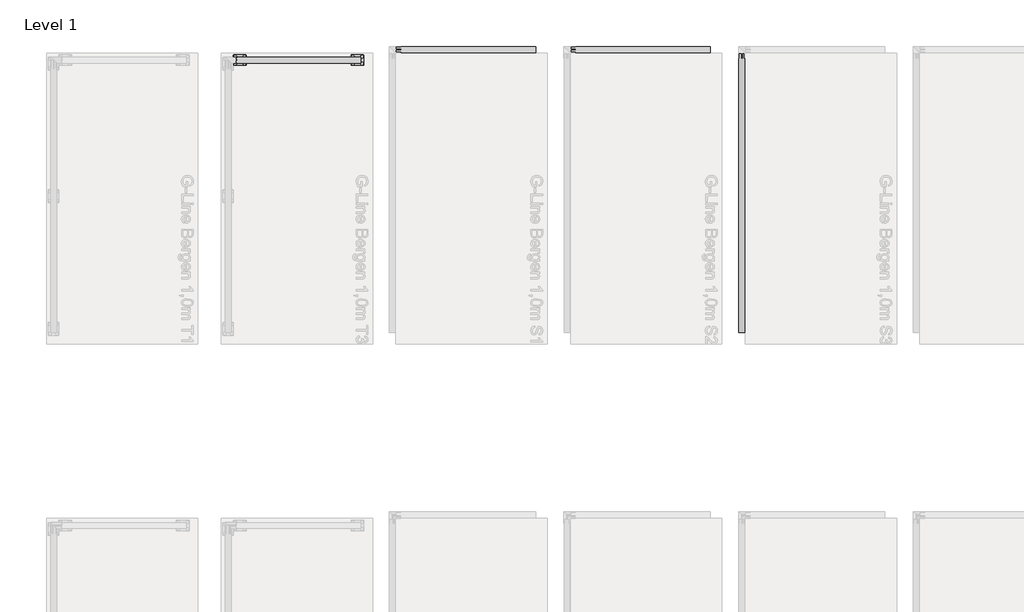
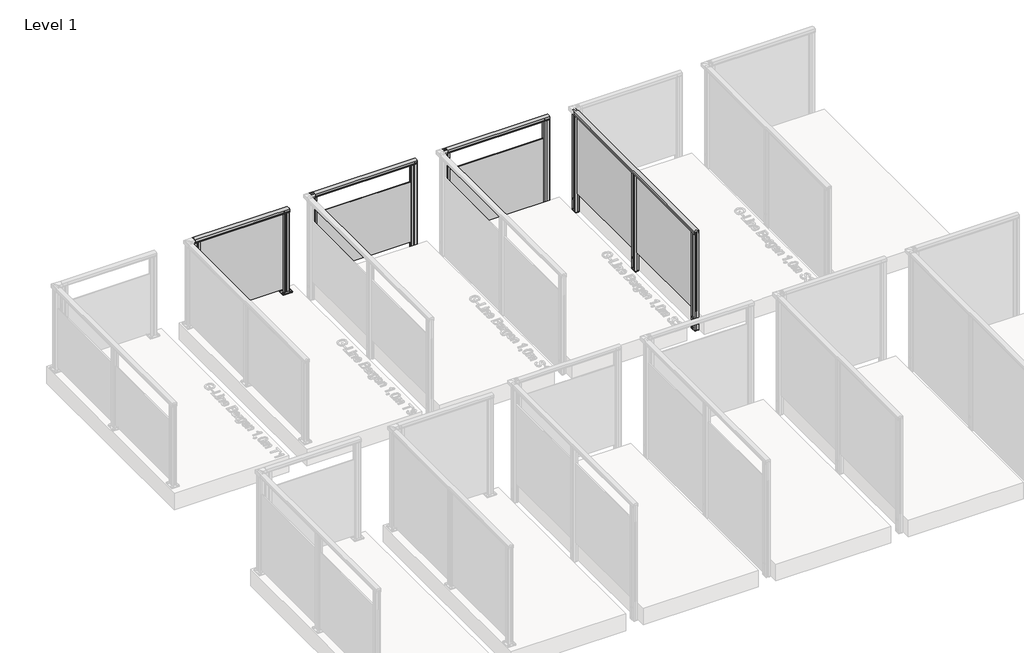
# One storey, part 7 of 13: 4 railings.
"""IFC4 building model written with IfcOpenShell, lengths in millimetres."""

from ifc_helpers import new_model, si_unit, point, frame, frame_2d, origin, origin_with_axes, place, context, project, spatial, polyline, circle_curve, trimmed, segment, composite_curve, outline, extrude, element, save

model = new_model("IFC4")

# Units and contexts
model_context = context("Model", 3, world=origin())
ifc_project = project(units=[si_unit("LENGTHUNIT", "METRE", prefix="MILLI")], contexts=[model_context])

# Site, building, storey
site = spatial("IfcSite", under=ifc_project)
building = spatial("IfcBuilding", under=site)
storey = spatial("IfcBuildingStorey", under=building, Name="Level 1", Elevation=0.0)

# Railings
placement = place(None, origin())
element("IfcRailing", 1, at=placement, inside=storey, context=model_context, shape_type="SweptSolid", body=[
    extrude(outline(composite_curve([segment(trimmed(circle_curve(frame_2d((2299.6292736, 942.6785502)), 57.3235687), [point((2274.3743133, 994.1390059))], [point((2324.8939716, 994.1342258))], False, "CARTESIAN"), True, "CONTINUOUS"), segment(polyline([(2324.8939716, 994.1342258), (2324.8939716, 967.0235023), (2324.3120398, 966.4415706), (2324.9341209, 965.8194895), (2324.9341209, 957.2498847), (2323.129168, 957.2498847), (2323.129168, 980.4998829), (2276.1341218, 980.4998829), (2276.1341218, 957.2498847), (2274.3743133, 957.2498847), (2274.3743133, 965.9694895), (2274.9890963, 966.5842725), (2274.3743133, 967.1990555), (2274.3743133, 994.1390059)]), True, "CONTINUOUS")], self_intersect=False)), frame((-4167.7109978, 0.0, 0.0), z_axis=(1.0, 0.0, 0.0), x_axis=(0.0, 1.0, 0.0)), (0.0, 0.0, 1.0), 1070.0),
    extrude(outline(polyline([(-3097.7109978, 2304.7340897), (-3097.7109978, 2295.9740897), (-4167.7109978, 2295.9740897), (-4167.7109978, 2304.7340897), (-3097.7109978, 2304.7340897)])), frame((0.0, 0.0, 40.0), z_axis=(0.0, 0.0, 1.0), x_axis=(1.0, 0.0, 0.0)), (0.0, 0.0, 1.0), 940.0),
    extrude(outline(composite_curve([segment(trimmed(circle_curve(frame_2d((-4097.7109978, 2330.3540897)), 11.9621755), [point((-4097.7109978, 2342.3162651))], [point((-4097.7109978, 2318.3919142))], False, "CARTESIAN"), True, "CONTINUOUS"), segment(trimmed(circle_curve(frame_2d((-4097.7109978, 2330.3540897)), 11.9621755), [point((-4097.7109978, 2318.3919142))], [point((-4097.7109978, 2342.3162651))], False, "CARTESIAN"), True, "CONTINUOUS")], self_intersect=False)), frame((0.0, 0.0, 10.0), z_axis=(0.0, 0.0, 1.0), x_axis=(1.0, 0.0, 0.0)), (0.0, 0.0, 1.0), 5.0),
    extrude(outline(composite_curve([segment(trimmed(circle_curve(frame_2d((-4097.7109978, 2270.3540897)), 11.9621755), [point((-4097.7109978, 2282.3162651))], [point((-4097.7109978, 2258.3919142))], False, "CARTESIAN"), True, "CONTINUOUS"), segment(trimmed(circle_curve(frame_2d((-4097.7109978, 2270.3540897)), 11.9621755), [point((-4097.7109978, 2258.3919142))], [point((-4097.7109978, 2282.3162651))], False, "CARTESIAN"), True, "CONTINUOUS")], self_intersect=False)), frame((0.0, 0.0, 10.0), z_axis=(0.0, 0.0, 1.0), x_axis=(1.0, 0.0, 0.0)), (0.0, 0.0, 1.0), 5.0),
    extrude(outline(composite_curve([segment(trimmed(circle_curve(frame_2d((-4177.7109978, 2330.3540897)), 11.9621755), [point((-4177.7109978, 2342.3162651))], [point((-4177.7109978, 2318.3919142))], False, "CARTESIAN"), True, "CONTINUOUS"), segment(trimmed(circle_curve(frame_2d((-4177.7109978, 2330.3540897)), 11.9621755), [point((-4177.7109978, 2318.3919142))], [point((-4177.7109978, 2342.3162651))], False, "CARTESIAN"), True, "CONTINUOUS")], self_intersect=False)), frame((0.0, 0.0, 10.0), z_axis=(0.0, 0.0, 1.0), x_axis=(1.0, 0.0, 0.0)), (0.0, 0.0, 1.0), 5.0),
    extrude(outline(composite_curve([segment(trimmed(circle_curve(frame_2d((-4177.7109978, 2270.3540897)), 11.9621755), [point((-4177.7109978, 2282.3162651))], [point((-4177.7109978, 2258.3919142))], False, "CARTESIAN"), True, "CONTINUOUS"), segment(trimmed(circle_curve(frame_2d((-4177.7109978, 2270.3540897)), 11.9621755), [point((-4177.7109978, 2258.3919142))], [point((-4177.7109978, 2282.3162651))], False, "CARTESIAN"), True, "CONTINUOUS")], self_intersect=False)), frame((0.0, 0.0, 10.0), z_axis=(0.0, 0.0, 1.0), x_axis=(1.0, 0.0, 0.0)), (0.0, 0.0, 1.0), 5.0),
    extrude(outline(composite_curve([segment(trimmed(circle_curve(frame_2d((-4087.7109978, 2260.3540897)), 5.0), [point((-4082.7109978, 2260.3540897))], [point((-4087.7109978, 2255.3540897))], False, "CARTESIAN"), True, "CONTINUOUS"), segment(polyline([(-4087.7109978, 2255.3540897), (-4187.7109978, 2255.3540897)]), True, "CONTINUOUS"), segment(trimmed(circle_curve(frame_2d((-4187.7109978, 2260.3540897)), 5.0), [point((-4187.7109978, 2255.3540897))], [point((-4192.7109978, 2260.3540897))], False, "CARTESIAN"), True, "CONTINUOUS"), segment(polyline([(-4192.7109978, 2260.3540897), (-4192.7109978, 2340.3540897)]), True, "CONTINUOUS"), segment(trimmed(circle_curve(frame_2d((-4187.7109978, 2340.3540897)), 5.0), [point((-4192.7109978, 2340.3540897))], [point((-4187.7109978, 2345.3540897))], False, "CARTESIAN"), True, "CONTINUOUS"), segment(polyline([(-4187.7109978, 2345.3540897), (-4087.7109978, 2345.3540897)]), True, "CONTINUOUS"), segment(trimmed(circle_curve(frame_2d((-4087.7109978, 2340.3540897)), 5.0), [point((-4087.7109978, 2345.3540897))], [point((-4082.7109978, 2340.3540897))], False, "CARTESIAN"), True, "CONTINUOUS"), segment(polyline([(-4082.7109978, 2340.3540897), (-4082.7109978, 2260.3540897)]), True, "CONTINUOUS")], self_intersect=False), holes=[composite_curve([segment(trimmed(circle_curve(frame_2d((-4097.7109978, 2270.3540897)), 6.25), [point((-4097.7109978, 2276.6040897))], [point((-4097.7109978, 2264.1040897))], True, "CARTESIAN"), True, "CONTINUOUS"), segment(trimmed(circle_curve(frame_2d((-4097.7109978, 2270.3540897)), 6.25), [point((-4097.7109978, 2264.1040897))], [point((-4097.7109978, 2276.6040897))], True, "CARTESIAN"), True, "CONTINUOUS")], self_intersect=False), composite_curve([segment(trimmed(circle_curve(frame_2d((-4097.7109978, 2330.3540897)), 6.25), [point((-4097.7109978, 2336.6040897))], [point((-4097.7109978, 2324.1040897))], True, "CARTESIAN"), True, "CONTINUOUS"), segment(trimmed(circle_curve(frame_2d((-4097.7109978, 2330.3540897)), 6.25), [point((-4097.7109978, 2324.1040897))], [point((-4097.7109978, 2336.6040897))], True, "CARTESIAN"), True, "CONTINUOUS")], self_intersect=False), composite_curve([segment(trimmed(circle_curve(frame_2d((-4177.7109978, 2330.3540897)), 6.25), [point((-4177.7109978, 2336.6040897))], [point((-4177.7109978, 2324.1040897))], True, "CARTESIAN"), True, "CONTINUOUS"), segment(trimmed(circle_curve(frame_2d((-4177.7109978, 2330.3540897)), 6.25), [point((-4177.7109978, 2324.1040897))], [point((-4177.7109978, 2336.6040897))], True, "CARTESIAN"), True, "CONTINUOUS")], self_intersect=False), composite_curve([segment(trimmed(circle_curve(frame_2d((-4177.7109978, 2270.3540897)), 6.25), [point((-4177.7109978, 2276.6040897))], [point((-4177.7109978, 2264.1040897))], True, "CARTESIAN"), True, "CONTINUOUS"), segment(trimmed(circle_curve(frame_2d((-4177.7109978, 2270.3540897)), 6.25), [point((-4177.7109978, 2264.1040897))], [point((-4177.7109978, 2276.6040897))], True, "CARTESIAN"), True, "CONTINUOUS")], self_intersect=False)]), origin_with_axes(), (0.0, 0.0, 1.0), 10.0),
    extrude(outline(polyline([(-4167.7094047, 2304.6999516), (-4167.7120769, 2322.8449514), (-4138.7450899, 2322.8492174), (-4137.7166457, 2321.8210761), (-4136.7285472, 2322.8094657), (-4107.7120717, 2322.8137389), (-4107.7094054, 2304.7087878), (-4125.2094052, 2304.7062106), (-4125.2081151, 2295.9462107), (-4107.7081153, 2295.9487879), (-4107.7054505, 2277.8537881), (-4136.6724374, 2277.8495221), (-4137.7103053, 2278.7678545), (-4138.5884687, 2277.8894323), (-4167.7054557, 2277.8851443), (-4167.7081146, 2295.9399517), (-4150.2081148, 2295.9425289), (-4150.2094049, 2304.7025288), (-4167.7094047, 2304.6999516)]), holes=[polyline([(-4128.9117828, 2279.848074), (-4128.9117828, 2320.8506655), (-4146.5057446, 2320.8506655), (-4146.5057446, 2279.848074), (-4128.9117828, 2279.848074)]), polyline([(-4109.711783, 2306.7059602), (-4109.711783, 2320.8534931), (-4126.9096997, 2320.8534931), (-4126.9096997, 2306.7059602), (-4109.711783, 2306.7059602)]), polyline([(-4109.7078207, 2279.848074), (-4109.7078207, 2293.9484934), (-4126.9057444, 2293.9484934), (-4126.9057444, 2279.848074), (-4109.7078207, 2279.848074)]), polyline([(-4148.5117826, 2306.7002462), (-4148.5117826, 2320.847779), (-4165.7096993, 2320.847779), (-4165.7096993, 2306.7002462), (-4148.5117826, 2306.7002462)]), polyline([(-4148.5078203, 2279.7952464), (-4148.5078203, 2293.9427793), (-4165.705737, 2293.9427793), (-4165.705737, 2279.7952464), (-4148.5078203, 2279.7952464)])]), frame((0.0, 0.0, 10.0), z_axis=(0.0, 0.0, 1.0), x_axis=(1.0, 0.0, 0.0)), (0.0, 0.0, 1.0), 971.0),
    extrude(outline(composite_curve([segment(trimmed(circle_curve(frame_2d((-3087.7109978, 2330.3540897)), 11.9621755), [point((-3087.7109978, 2342.3162651))], [point((-3087.7109978, 2318.3919142))], False, "CARTESIAN"), True, "CONTINUOUS"), segment(trimmed(circle_curve(frame_2d((-3087.7109978, 2330.3540897)), 11.9621755), [point((-3087.7109978, 2318.3919142))], [point((-3087.7109978, 2342.3162651))], False, "CARTESIAN"), True, "CONTINUOUS")], self_intersect=False)), frame((0.0, 0.0, 10.0), z_axis=(0.0, 0.0, 1.0), x_axis=(1.0, 0.0, 0.0)), (0.0, 0.0, 1.0), 5.0),
    extrude(outline(composite_curve([segment(trimmed(circle_curve(frame_2d((-3087.7109978, 2270.3540897)), 11.9621755), [point((-3087.7109978, 2282.3162651))], [point((-3087.7109978, 2258.3919142))], False, "CARTESIAN"), True, "CONTINUOUS"), segment(trimmed(circle_curve(frame_2d((-3087.7109978, 2270.3540897)), 11.9621755), [point((-3087.7109978, 2258.3919142))], [point((-3087.7109978, 2282.3162651))], False, "CARTESIAN"), True, "CONTINUOUS")], self_intersect=False)), frame((0.0, 0.0, 10.0), z_axis=(0.0, 0.0, 1.0), x_axis=(1.0, 0.0, 0.0)), (0.0, 0.0, 1.0), 5.0),
    extrude(outline(composite_curve([segment(trimmed(circle_curve(frame_2d((-3167.7109978, 2330.3540897)), 11.9621755), [point((-3167.7109978, 2342.3162651))], [point((-3167.7109978, 2318.3919142))], False, "CARTESIAN"), True, "CONTINUOUS"), segment(trimmed(circle_curve(frame_2d((-3167.7109978, 2330.3540897)), 11.9621755), [point((-3167.7109978, 2318.3919142))], [point((-3167.7109978, 2342.3162651))], False, "CARTESIAN"), True, "CONTINUOUS")], self_intersect=False)), frame((0.0, 0.0, 10.0), z_axis=(0.0, 0.0, 1.0), x_axis=(1.0, 0.0, 0.0)), (0.0, 0.0, 1.0), 5.0),
    extrude(outline(composite_curve([segment(trimmed(circle_curve(frame_2d((-3167.7109978, 2270.3540897)), 11.9621755), [point((-3167.7109978, 2282.3162651))], [point((-3167.7109978, 2258.3919142))], False, "CARTESIAN"), True, "CONTINUOUS"), segment(trimmed(circle_curve(frame_2d((-3167.7109978, 2270.3540897)), 11.9621755), [point((-3167.7109978, 2258.3919142))], [point((-3167.7109978, 2282.3162651))], False, "CARTESIAN"), True, "CONTINUOUS")], self_intersect=False)), frame((0.0, 0.0, 10.0), z_axis=(0.0, 0.0, 1.0), x_axis=(1.0, 0.0, 0.0)), (0.0, 0.0, 1.0), 5.0),
    extrude(outline(composite_curve([segment(trimmed(circle_curve(frame_2d((-3077.7109978, 2260.3540897)), 5.0), [point((-3072.7109978, 2260.3540897))], [point((-3077.7109978, 2255.3540897))], False, "CARTESIAN"), True, "CONTINUOUS"), segment(polyline([(-3077.7109978, 2255.3540897), (-3177.7109978, 2255.3540897)]), True, "CONTINUOUS"), segment(trimmed(circle_curve(frame_2d((-3177.7109978, 2260.3540897)), 5.0), [point((-3177.7109978, 2255.3540897))], [point((-3182.7109978, 2260.3540897))], False, "CARTESIAN"), True, "CONTINUOUS"), segment(polyline([(-3182.7109978, 2260.3540897), (-3182.7109978, 2340.3540897)]), True, "CONTINUOUS"), segment(trimmed(circle_curve(frame_2d((-3177.7109978, 2340.3540897)), 5.0), [point((-3182.7109978, 2340.3540897))], [point((-3177.7109978, 2345.3540897))], False, "CARTESIAN"), True, "CONTINUOUS"), segment(polyline([(-3177.7109978, 2345.3540897), (-3077.7109978, 2345.3540897)]), True, "CONTINUOUS"), segment(trimmed(circle_curve(frame_2d((-3077.7109978, 2340.3540897)), 5.0), [point((-3077.7109978, 2345.3540897))], [point((-3072.7109978, 2340.3540897))], False, "CARTESIAN"), True, "CONTINUOUS"), segment(polyline([(-3072.7109978, 2340.3540897), (-3072.7109978, 2260.3540897)]), True, "CONTINUOUS")], self_intersect=False), holes=[composite_curve([segment(trimmed(circle_curve(frame_2d((-3087.7109978, 2270.3540897)), 6.25), [point((-3087.7109978, 2276.6040897))], [point((-3087.7109978, 2264.1040897))], True, "CARTESIAN"), True, "CONTINUOUS"), segment(trimmed(circle_curve(frame_2d((-3087.7109978, 2270.3540897)), 6.25), [point((-3087.7109978, 2264.1040897))], [point((-3087.7109978, 2276.6040897))], True, "CARTESIAN"), True, "CONTINUOUS")], self_intersect=False), composite_curve([segment(trimmed(circle_curve(frame_2d((-3087.7109978, 2330.3540897)), 6.25), [point((-3087.7109978, 2336.6040897))], [point((-3087.7109978, 2324.1040897))], True, "CARTESIAN"), True, "CONTINUOUS"), segment(trimmed(circle_curve(frame_2d((-3087.7109978, 2330.3540897)), 6.25), [point((-3087.7109978, 2324.1040897))], [point((-3087.7109978, 2336.6040897))], True, "CARTESIAN"), True, "CONTINUOUS")], self_intersect=False), composite_curve([segment(trimmed(circle_curve(frame_2d((-3167.7109978, 2330.3540897)), 6.25), [point((-3167.7109978, 2336.6040897))], [point((-3167.7109978, 2324.1040897))], True, "CARTESIAN"), True, "CONTINUOUS"), segment(trimmed(circle_curve(frame_2d((-3167.7109978, 2330.3540897)), 6.25), [point((-3167.7109978, 2324.1040897))], [point((-3167.7109978, 2336.6040897))], True, "CARTESIAN"), True, "CONTINUOUS")], self_intersect=False), composite_curve([segment(trimmed(circle_curve(frame_2d((-3167.7109978, 2270.3540897)), 6.25), [point((-3167.7109978, 2276.6040897))], [point((-3167.7109978, 2264.1040897))], True, "CARTESIAN"), True, "CONTINUOUS"), segment(trimmed(circle_curve(frame_2d((-3167.7109978, 2270.3540897)), 6.25), [point((-3167.7109978, 2264.1040897))], [point((-3167.7109978, 2276.6040897))], True, "CARTESIAN"), True, "CONTINUOUS")], self_intersect=False)]), origin_with_axes(), (0.0, 0.0, 1.0), 10.0),
    extrude(outline(polyline([(-3157.7094047, 2304.6999516), (-3157.7120769, 2322.8449514), (-3128.7450899, 2322.8492174), (-3127.7166457, 2321.8210761), (-3126.7285472, 2322.8094657), (-3097.7120717, 2322.8137389), (-3097.7094054, 2304.7087878), (-3115.2094052, 2304.7062106), (-3115.2081151, 2295.9462107), (-3097.7081153, 2295.9487879), (-3097.7054505, 2277.8537881), (-3126.6724374, 2277.8495221), (-3127.7103053, 2278.7678545), (-3128.5884687, 2277.8894323), (-3157.7054557, 2277.8851443), (-3157.7081146, 2295.9399517), (-3140.2081148, 2295.9425289), (-3140.2094049, 2304.7025288), (-3157.7094047, 2304.6999516)]), holes=[polyline([(-3118.9117828, 2279.848074), (-3118.9117828, 2320.8506655), (-3136.5057446, 2320.8506655), (-3136.5057446, 2279.848074), (-3118.9117828, 2279.848074)]), polyline([(-3099.711783, 2306.7059602), (-3099.711783, 2320.8534931), (-3116.9096997, 2320.8534931), (-3116.9096997, 2306.7059602), (-3099.711783, 2306.7059602)]), polyline([(-3099.7078207, 2279.848074), (-3099.7078207, 2293.9484934), (-3116.9057444, 2293.9484934), (-3116.9057444, 2279.848074), (-3099.7078207, 2279.848074)]), polyline([(-3138.5117826, 2306.7002462), (-3138.5117826, 2320.847779), (-3155.7096993, 2320.847779), (-3155.7096993, 2306.7002462), (-3138.5117826, 2306.7002462)]), polyline([(-3138.5078203, 2279.7952464), (-3138.5078203, 2293.9427793), (-3155.705737, 2293.9427793), (-3155.705737, 2279.7952464), (-3138.5078203, 2279.7952464)])]), frame((0.0, 0.0, 10.0), z_axis=(0.0, 0.0, 1.0), x_axis=(1.0, 0.0, 0.0)), (0.0, 0.0, 1.0), 971.0),
])
element("IfcRailing", 2, at=placement, inside=storey, context=model_context, shape_type="SweptSolid", body=[
    extrude(outline(composite_curve([segment(trimmed(circle_curve(frame_2d((2391.0694659, 942.6785502)), 57.3235687), [point((2365.8145057, 994.1390059))], [point((2416.3341639, 994.1342258))], False, "CARTESIAN"), True, "CONTINUOUS"), segment(polyline([(2416.3341639, 994.1342258), (2416.3341639, 967.0235023), (2415.7522322, 966.4415706), (2416.3743133, 965.8194895), (2416.3743133, 957.2498847), (2414.5693604, 957.2498847), (2414.5693604, 980.4998829), (2367.5743142, 980.4998829), (2367.5743142, 957.2498847), (2365.8145057, 957.2498847), (2365.8145057, 965.9694895), (2366.4292887, 966.5842725), (2365.8145057, 967.1990555), (2365.8145057, 994.1390059)]), True, "CONTINUOUS")], self_intersect=False)), frame((-2792.7109978, 0.0, 0.0), z_axis=(1.0, 0.0, 0.0), x_axis=(0.0, 1.0, 0.0)), (0.0, 0.0, 1.0), 1195.0),
    extrude(outline(polyline([(-1597.7109978, 2394.7340897), (-1597.7109978, 2385.9740897), (-2792.7109978, 2385.9740897), (-2792.7109978, 2394.7340897), (-1597.7109978, 2394.7340897)])), frame((0.0, 0.0, 28.0), z_axis=(0.0, 0.0, 1.0), x_axis=(1.0, 0.0, 0.0)), (0.0, 0.0, 1.0), 722.0),
    extrude(outline(polyline([(-2792.7094047, 2386.0082277), (-2775.2094049, 2386.0056505), (-2775.2081148, 2394.7656504), (-2792.7081146, 2394.7682276), (-2792.7054557, 2412.823035), (-2763.5884687, 2412.818747), (-2762.7103053, 2411.9403249), (-2761.6724374, 2412.8586572), (-2732.7054505, 2412.8543913), (-2732.7081153, 2394.7593915), (-2750.2081151, 2394.7619687), (-2750.2094052, 2386.0019688), (-2732.7094054, 2385.9993916), (-2732.7120717, 2367.8944405), (-2761.7285472, 2367.8987137), (-2762.7166457, 2368.8871033), (-2763.7450899, 2367.858962), (-2792.7120769, 2367.8632279), (-2792.7094047, 2386.0082277)])), frame((0.0, 0.0, -202.0233958), z_axis=(0.0, 0.0, 1.0), x_axis=(1.0, 0.0, 0.0)), (0.0, 0.0, 1.0), 2.0),
    extrude(outline(composite_curve([segment(trimmed(circle_curve(frame_2d((0.0, 12.0)), 12.0), [point((0.0, 24.0))], [point((0.0, 0.0))], False, "CARTESIAN"), True, "CONTINUOUS"), segment(trimmed(circle_curve(frame_2d((0.0, 12.0)), 12.0), [point((0.0, 0.0))], [point((0.0, 24.0))], False, "CARTESIAN"), True, "CONTINUOUS")], self_intersect=False)), frame((-2750.7019602, 2412.8135548, -175.0), z_axis=(0.00040291834470155966, 0.9999999188284006, 0.0), x_axis=(0.0, 0.0, -1.0)), (0.0, 0.0, 1.0), 3.0757477),
    extrude(outline(composite_curve([segment(trimmed(circle_curve(frame_2d((0.0, 12.0)), 12.0), [point((0.0, 24.0))], [point((0.0, 0.0))], False, "CARTESIAN"), True, "CONTINUOUS"), segment(trimmed(circle_curve(frame_2d((0.0, 12.0)), 12.0), [point((0.0, 0.0))], [point((0.0, 24.0))], False, "CARTESIAN"), True, "CONTINUOUS")], self_intersect=False)), frame((-2750.7019602, 2412.8135548, -50.0), z_axis=(0.00040291834470155966, 0.9999999188284006, 0.0), x_axis=(0.0, 0.0, -1.0)), (0.0, 0.0, 1.0), 3.0757477),
    extrude(outline(polyline([(-2792.7094047, 2386.0082277), (-2775.2094049, 2386.0056505), (-2775.2081148, 2394.7656504), (-2792.7081146, 2394.7682276), (-2792.7054557, 2412.823035), (-2763.5884687, 2412.818747), (-2762.7103053, 2411.9403249), (-2761.6724374, 2412.8586572), (-2732.7054505, 2412.8543913), (-2732.7081153, 2394.7593915), (-2750.2081151, 2394.7619687), (-2750.2094052, 2386.0019688), (-2732.7094054, 2385.9993916), (-2732.7120717, 2367.8944405), (-2761.7285472, 2367.8987137), (-2762.7166457, 2368.8871033), (-2763.7450899, 2367.858962), (-2792.7120769, 2367.8632279), (-2792.7094047, 2386.0082277)]), holes=[polyline([(-2753.9117828, 2410.8601053), (-2771.5057446, 2410.8601053), (-2771.5057446, 2369.8575138), (-2753.9117828, 2369.8575138), (-2753.9117828, 2410.8601053)]), polyline([(-2734.711783, 2384.0022191), (-2751.9096997, 2384.0022191), (-2751.9096997, 2369.8546863), (-2734.711783, 2369.8546863), (-2734.711783, 2384.0022191)]), polyline([(-2734.7078207, 2410.8601053), (-2751.9057444, 2410.8601053), (-2751.9057444, 2396.759686), (-2734.7078207, 2396.759686), (-2734.7078207, 2410.8601053)]), polyline([(-2773.5117826, 2384.0079332), (-2790.7096993, 2384.0079332), (-2790.7096993, 2369.8604003), (-2773.5117826, 2369.8604003), (-2773.5117826, 2384.0079332)]), polyline([(-2773.5078203, 2410.9129329), (-2790.705737, 2410.9129329), (-2790.705737, 2396.7654), (-2773.5078203, 2396.7654), (-2773.5078203, 2410.9129329)])]), frame((0.0, 0.0, -200.0), z_axis=(0.0, 0.0, 1.0), x_axis=(1.0, 0.0, 0.0)), (0.0, 0.0, 1.0), 1181.0),
    extrude(outline(polyline([(-1657.7094047, 2386.0082277), (-1640.2094049, 2386.0056505), (-1640.2081148, 2394.7656504), (-1657.7081146, 2394.7682276), (-1657.7054557, 2412.823035), (-1628.5884687, 2412.818747), (-1627.7103053, 2411.9403249), (-1626.6724374, 2412.8586572), (-1597.7054505, 2412.8543913), (-1597.7081153, 2394.7593915), (-1615.2081151, 2394.7619687), (-1615.2094052, 2386.0019688), (-1597.7094054, 2385.9993916), (-1597.7120717, 2367.8944405), (-1626.7285472, 2367.8987137), (-1627.7166457, 2368.8871033), (-1628.7450899, 2367.858962), (-1657.7120769, 2367.8632279), (-1657.7094047, 2386.0082277)])), frame((0.0, 0.0, -202.0233958), z_axis=(0.0, 0.0, 1.0), x_axis=(1.0, 0.0, 0.0)), (0.0, 0.0, 1.0), 2.0),
    extrude(outline(composite_curve([segment(trimmed(circle_curve(frame_2d((0.0, 12.0)), 12.0), [point((0.0, 24.0))], [point((0.0, 0.0))], False, "CARTESIAN"), True, "CONTINUOUS"), segment(trimmed(circle_curve(frame_2d((0.0, 12.0)), 12.0), [point((0.0, 0.0))], [point((0.0, 24.0))], False, "CARTESIAN"), True, "CONTINUOUS")], self_intersect=False)), frame((-1615.7019602, 2412.8135548, -175.0), z_axis=(0.00040291834470155966, 0.9999999188284006, 0.0), x_axis=(0.0, 0.0, -1.0)), (0.0, 0.0, 1.0), 3.0757477),
    extrude(outline(composite_curve([segment(trimmed(circle_curve(frame_2d((0.0, 12.0)), 12.0), [point((0.0, 24.0))], [point((0.0, 0.0))], False, "CARTESIAN"), True, "CONTINUOUS"), segment(trimmed(circle_curve(frame_2d((0.0, 12.0)), 12.0), [point((0.0, 0.0))], [point((0.0, 24.0))], False, "CARTESIAN"), True, "CONTINUOUS")], self_intersect=False)), frame((-1615.7019602, 2412.8135548, -50.0), z_axis=(0.00040291834470155966, 0.9999999188284006, 0.0), x_axis=(0.0, 0.0, -1.0)), (0.0, 0.0, 1.0), 3.0757477),
    extrude(outline(polyline([(-1657.7094047, 2386.0082277), (-1640.2094049, 2386.0056505), (-1640.2081148, 2394.7656504), (-1657.7081146, 2394.7682276), (-1657.7054557, 2412.823035), (-1628.5884687, 2412.818747), (-1627.7103053, 2411.9403249), (-1626.6724374, 2412.8586572), (-1597.7054505, 2412.8543913), (-1597.7081153, 2394.7593915), (-1615.2081151, 2394.7619687), (-1615.2094052, 2386.0019688), (-1597.7094054, 2385.9993916), (-1597.7120717, 2367.8944405), (-1626.7285472, 2367.8987137), (-1627.7166457, 2368.8871033), (-1628.7450899, 2367.858962), (-1657.7120769, 2367.8632279), (-1657.7094047, 2386.0082277)]), holes=[polyline([(-1618.9117828, 2410.8601053), (-1636.5057446, 2410.8601053), (-1636.5057446, 2369.8575138), (-1618.9117828, 2369.8575138), (-1618.9117828, 2410.8601053)]), polyline([(-1599.711783, 2384.0022191), (-1616.9096997, 2384.0022191), (-1616.9096997, 2369.8546863), (-1599.711783, 2369.8546863), (-1599.711783, 2384.0022191)]), polyline([(-1599.7078207, 2410.8601053), (-1616.9057444, 2410.8601053), (-1616.9057444, 2396.759686), (-1599.7078207, 2396.759686), (-1599.7078207, 2410.8601053)]), polyline([(-1638.5117826, 2384.0079332), (-1655.7096993, 2384.0079332), (-1655.7096993, 2369.8604003), (-1638.5117826, 2369.8604003), (-1638.5117826, 2384.0079332)]), polyline([(-1638.5078203, 2410.9129329), (-1655.705737, 2410.9129329), (-1655.705737, 2396.7654), (-1638.5078203, 2396.7654), (-1638.5078203, 2410.9129329)])]), frame((0.0, 0.0, -200.0), z_axis=(0.0, 0.0, 1.0), x_axis=(1.0, 0.0, 0.0)), (0.0, 0.0, 1.0), 1181.0),
])
element("IfcRailing", 3, at=placement, inside=storey, context=model_context, shape_type="SweptSolid", body=[
    extrude(outline(composite_curve([segment(trimmed(circle_curve(frame_2d((2391.0694659, 942.6785502)), 57.3235687), [point((2365.8145057, 994.1390059))], [point((2416.3341639, 994.1342258))], False, "CARTESIAN"), True, "CONTINUOUS"), segment(polyline([(2416.3341639, 994.1342258), (2416.3341639, 967.0235023), (2415.7522322, 966.4415706), (2416.3743133, 965.8194895), (2416.3743133, 957.2498847), (2414.5693604, 957.2498847), (2414.5693604, 980.4998829), (2367.5743142, 980.4998829), (2367.5743142, 957.2498847), (2365.8145057, 957.2498847), (2365.8145057, 965.9694895), (2366.4292887, 966.5842725), (2365.8145057, 967.1990555), (2365.8145057, 994.1390059)]), True, "CONTINUOUS")], self_intersect=False)), frame((-1292.7109978, 0.0, 0.0), z_axis=(1.0, 0.0, 0.0), x_axis=(0.0, 1.0, 0.0)), (0.0, 0.0, 1.0), 1195.0),
    extrude(outline(polyline([(-97.7109978, 2391.2497068), (-97.7109978, 2389.3860239), (-1292.7109978, 2389.3860239), (-1292.7109978, 2391.2497068), (-97.7109978, 2391.2497068)])), frame((0.0, 0.0, -200.0), z_axis=(0.0, 0.0, 1.0), x_axis=(1.0, 0.0, 0.0)), (0.0, 0.0, 1.0), 1.1703418),
    extrude(outline(polyline([(-97.7109978, 2394.7340897), (-97.7109978, 2385.9740897), (-1292.7109978, 2385.9740897), (-1292.7109978, 2394.7340897), (-97.7109978, 2394.7340897)])), frame((0.0, 0.0, -200.0), z_axis=(0.0, 0.0, 1.0), x_axis=(1.0, 0.0, 0.0)), (0.0, 0.0, 1.0), 945.0),
    extrude(outline(polyline([(-1292.7094047, 2386.0082277), (-1275.2094049, 2386.0056505), (-1275.2081148, 2394.7656504), (-1292.7081146, 2394.7682276), (-1292.7054557, 2412.823035), (-1263.5884687, 2412.818747), (-1262.7103053, 2411.9403249), (-1261.6724374, 2412.8586572), (-1232.7054505, 2412.8543913), (-1232.7081153, 2394.7593915), (-1250.2081151, 2394.7619687), (-1250.2094052, 2386.0019688), (-1232.7094054, 2385.9993916), (-1232.7120717, 2367.8944405), (-1261.7285472, 2367.8987137), (-1262.7166457, 2368.8871033), (-1263.7450899, 2367.858962), (-1292.7120769, 2367.8632279), (-1292.7094047, 2386.0082277)])), frame((0.0, 0.0, -202.0233958), z_axis=(0.0, 0.0, 1.0), x_axis=(1.0, 0.0, 0.0)), (0.0, 0.0, 1.0), 2.0),
    extrude(outline(composite_curve([segment(trimmed(circle_curve(frame_2d((0.0, 12.0)), 12.0), [point((0.0, 24.0))], [point((0.0, 0.0))], False, "CARTESIAN"), True, "CONTINUOUS"), segment(trimmed(circle_curve(frame_2d((0.0, 12.0)), 12.0), [point((0.0, 0.0))], [point((0.0, 24.0))], False, "CARTESIAN"), True, "CONTINUOUS")], self_intersect=False)), frame((-1250.7019602, 2412.8135548, -175.0), z_axis=(0.00040291834470155966, 0.9999999188284006, 0.0), x_axis=(0.0, 0.0, -1.0)), (0.0, 0.0, 1.0), 3.0757477),
    extrude(outline(composite_curve([segment(trimmed(circle_curve(frame_2d((0.0, 12.0)), 12.0), [point((0.0, 24.0))], [point((0.0, 0.0))], False, "CARTESIAN"), True, "CONTINUOUS"), segment(trimmed(circle_curve(frame_2d((0.0, 12.0)), 12.0), [point((0.0, 0.0))], [point((0.0, 24.0))], False, "CARTESIAN"), True, "CONTINUOUS")], self_intersect=False)), frame((-1250.7019602, 2412.8135548, -50.0), z_axis=(0.00040291834470155966, 0.9999999188284006, 0.0), x_axis=(0.0, 0.0, -1.0)), (0.0, 0.0, 1.0), 3.0757477),
    extrude(outline(polyline([(-1292.7094047, 2386.0082277), (-1275.2094049, 2386.0056505), (-1275.2081148, 2394.7656504), (-1292.7081146, 2394.7682276), (-1292.7054557, 2412.823035), (-1263.5884687, 2412.818747), (-1262.7103053, 2411.9403249), (-1261.6724374, 2412.8586572), (-1232.7054505, 2412.8543913), (-1232.7081153, 2394.7593915), (-1250.2081151, 2394.7619687), (-1250.2094052, 2386.0019688), (-1232.7094054, 2385.9993916), (-1232.7120717, 2367.8944405), (-1261.7285472, 2367.8987137), (-1262.7166457, 2368.8871033), (-1263.7450899, 2367.858962), (-1292.7120769, 2367.8632279), (-1292.7094047, 2386.0082277)]), holes=[polyline([(-1253.9117828, 2410.8601053), (-1271.5057446, 2410.8601053), (-1271.5057446, 2369.8575138), (-1253.9117828, 2369.8575138), (-1253.9117828, 2410.8601053)]), polyline([(-1234.711783, 2384.0022191), (-1251.9096997, 2384.0022191), (-1251.9096997, 2369.8546863), (-1234.711783, 2369.8546863), (-1234.711783, 2384.0022191)]), polyline([(-1234.7078207, 2410.8601053), (-1251.9057444, 2410.8601053), (-1251.9057444, 2396.759686), (-1234.7078207, 2396.759686), (-1234.7078207, 2410.8601053)]), polyline([(-1273.5117826, 2384.0079332), (-1290.7096993, 2384.0079332), (-1290.7096993, 2369.8604003), (-1273.5117826, 2369.8604003), (-1273.5117826, 2384.0079332)]), polyline([(-1273.5078203, 2410.9129329), (-1290.705737, 2410.9129329), (-1290.705737, 2396.7654), (-1273.5078203, 2396.7654), (-1273.5078203, 2410.9129329)])]), frame((0.0, 0.0, -200.0), z_axis=(0.0, 0.0, 1.0), x_axis=(1.0, 0.0, 0.0)), (0.0, 0.0, 1.0), 1181.0),
    extrude(outline(polyline([(-157.7094047, 2386.0082277), (-140.2094049, 2386.0056505), (-140.2081148, 2394.7656504), (-157.7081146, 2394.7682276), (-157.7054557, 2412.823035), (-128.5884687, 2412.818747), (-127.7103053, 2411.9403249), (-126.6724374, 2412.8586572), (-97.7054505, 2412.8543913), (-97.7081153, 2394.7593915), (-115.2081151, 2394.7619687), (-115.2094052, 2386.0019688), (-97.7094054, 2385.9993916), (-97.7120717, 2367.8944405), (-126.7285472, 2367.8987137), (-127.7166457, 2368.8871033), (-128.7450899, 2367.858962), (-157.7120769, 2367.8632279), (-157.7094047, 2386.0082277)])), frame((0.0, 0.0, -202.0233958), z_axis=(0.0, 0.0, 1.0), x_axis=(1.0, 0.0, 0.0)), (0.0, 0.0, 1.0), 2.0),
    extrude(outline(composite_curve([segment(trimmed(circle_curve(frame_2d((0.0, 12.0)), 12.0), [point((0.0, 24.0))], [point((0.0, 0.0))], False, "CARTESIAN"), True, "CONTINUOUS"), segment(trimmed(circle_curve(frame_2d((0.0, 12.0)), 12.0), [point((0.0, 0.0))], [point((0.0, 24.0))], False, "CARTESIAN"), True, "CONTINUOUS")], self_intersect=False)), frame((-115.7019602, 2412.8135548, -175.0), z_axis=(0.00040291834470155966, 0.9999999188284006, 0.0), x_axis=(0.0, 0.0, -1.0)), (0.0, 0.0, 1.0), 3.0757477),
    extrude(outline(composite_curve([segment(trimmed(circle_curve(frame_2d((0.0, 12.0)), 12.0), [point((0.0, 24.0))], [point((0.0, 0.0))], False, "CARTESIAN"), True, "CONTINUOUS"), segment(trimmed(circle_curve(frame_2d((0.0, 12.0)), 12.0), [point((0.0, 0.0))], [point((0.0, 24.0))], False, "CARTESIAN"), True, "CONTINUOUS")], self_intersect=False)), frame((-115.7019602, 2412.8135548, -50.0), z_axis=(0.00040291834470155966, 0.9999999188284006, 0.0), x_axis=(0.0, 0.0, -1.0)), (0.0, 0.0, 1.0), 3.0757477),
    extrude(outline(polyline([(-157.7094047, 2386.0082277), (-140.2094049, 2386.0056505), (-140.2081148, 2394.7656504), (-157.7081146, 2394.7682276), (-157.7054557, 2412.823035), (-128.5884687, 2412.818747), (-127.7103053, 2411.9403249), (-126.6724374, 2412.8586572), (-97.7054505, 2412.8543913), (-97.7081153, 2394.7593915), (-115.2081151, 2394.7619687), (-115.2094052, 2386.0019688), (-97.7094054, 2385.9993916), (-97.7120717, 2367.8944405), (-126.7285472, 2367.8987137), (-127.7166457, 2368.8871033), (-128.7450899, 2367.858962), (-157.7120769, 2367.8632279), (-157.7094047, 2386.0082277)]), holes=[polyline([(-118.9117828, 2410.8601053), (-136.5057446, 2410.8601053), (-136.5057446, 2369.8575138), (-118.9117828, 2369.8575138), (-118.9117828, 2410.8601053)]), polyline([(-99.711783, 2384.0022191), (-116.9096997, 2384.0022191), (-116.9096997, 2369.8546863), (-99.711783, 2369.8546863), (-99.711783, 2384.0022191)]), polyline([(-99.7078207, 2410.8601053), (-116.9057444, 2410.8601053), (-116.9057444, 2396.759686), (-99.7078207, 2396.759686), (-99.7078207, 2410.8601053)]), polyline([(-138.5117826, 2384.0079332), (-155.7096993, 2384.0079332), (-155.7096993, 2369.8604003), (-138.5117826, 2369.8604003), (-138.5117826, 2384.0079332)]), polyline([(-138.5078203, 2410.9129329), (-155.705737, 2410.9129329), (-155.705737, 2396.7654), (-138.5078203, 2396.7654), (-138.5078203, 2410.9129329)])]), frame((0.0, 0.0, -200.0), z_axis=(0.0, 0.0, 1.0), x_axis=(1.0, 0.0, 0.0)), (0.0, 0.0, 1.0), 1181.0),
])
element("IfcRailing", 4, at=placement, inside=storey, context=model_context, shape_type="SweptSolid", body=[
    extrude(outline(composite_curve([segment(trimmed(circle_curve(frame_2d((57.3214498, -0.0047199)), 57.3235687), [point((5.8609941, -25.2596802))], [point((5.8657742, 25.2599781))], False, "CARTESIAN"), True, "CONTINUOUS"), segment(polyline([(5.8657742, 25.2599781), (32.9764977, 25.2599781), (33.5584294, 24.6780463), (34.1805105, 25.3001274), (42.7501153, 25.3001274), (42.7501153, 23.4951745), (19.5001171, 23.4951745), (19.5001171, -23.4998716), (42.7501153, -23.4998716), (42.7501153, -25.2596802), (34.0305105, -25.2596802), (33.4157275, -24.6448972), (32.8009445, -25.2596802), (5.8609941, -25.2596802)]), True, "CONTINUOUS")], self_intersect=False)), frame((171.568906, -39.6459103, 1000.0), z_axis=(1.9358301858992035e-12, 1.0, 0.0), x_axis=(0.0, 0.0, -1.0)), (0.0, 0.0, 1.0), 2395.0),
    extrude(outline(polyline([(167.9090022, 2355.3540897), (176.6690022, 2355.3540897), (176.6690022, -39.6459103), (167.9090022, -39.6459103), (167.9090022, 2355.3540897)])), frame((0.0, 0.0, 28.0), z_axis=(0.0, 0.0, 1.0), x_axis=(1.0, 0.0, 0.0)), (0.0, 0.0, 1.0), 952.0),
    extrude(outline(polyline([(176.6348642, 1127.8556828), (176.6374414, 1145.3556826), (167.8774415, 1145.3569727), (167.8748643, 1127.8569728), (149.8200568, 1127.8596318), (149.8243449, 1156.9766187), (150.702767, 1157.8547822), (149.7844347, 1158.89265), (149.7887006, 1187.859637), (167.8837004, 1187.8569722), (167.8811232, 1170.3569724), (176.6411231, 1170.3556823), (176.6437003, 1187.8556821), (194.7486514, 1187.8530158), (194.7443782, 1158.8365403), (193.7559886, 1157.8484418), (194.7841299, 1156.8199976), (194.779864, 1127.8530106), (176.6348642, 1127.8556828)])), frame((0.0, 0.0, -202.0233958), z_axis=(0.0, 0.0, 1.0), x_axis=(1.0, 0.0, 0.0)), (0.0, 0.0, 1.0), 2.0),
    extrude(outline(composite_curve([segment(trimmed(circle_curve(frame_2d((0.0, 12.0000001)), 12.0), [point((0.0, 24.0))], [point((0.0, 0.0))], False, "CARTESIAN"), True, "CONTINUOUS"), segment(trimmed(circle_curve(frame_2d((0.0, 12.0000001)), 12.0), [point((0.0, 0.0))], [point((0.0, 24.0))], False, "CARTESIAN"), True, "CONTINUOUS")], self_intersect=False)), frame((149.8295371, 1169.8631273, -175.0), z_axis=(-0.9999999188283998, 0.0004029183466235713, 0.0), x_axis=(0.0, 0.0, -1.0)), (0.0, 0.0, 1.0), 3.0757477),
    extrude(outline(composite_curve([segment(trimmed(circle_curve(frame_2d((0.0, 12.0000001)), 12.0), [point((0.0, 24.0))], [point((0.0, 0.0))], False, "CARTESIAN"), True, "CONTINUOUS"), segment(trimmed(circle_curve(frame_2d((0.0, 12.0000001)), 12.0), [point((0.0, 0.0))], [point((0.0, 24.0))], False, "CARTESIAN"), True, "CONTINUOUS")], self_intersect=False)), frame((149.8295371, 1169.8631273, -50.0), z_axis=(-0.9999999188283998, 0.0004029183466235713, 0.0), x_axis=(0.0, 0.0, -1.0)), (0.0, 0.0, 1.0), 3.0757477),
    extrude(outline(polyline([(176.6348642, 1127.8556828), (176.6374414, 1145.3556826), (167.8774415, 1145.3569727), (167.8748643, 1127.8569728), (149.8200568, 1127.8596318), (149.8243449, 1156.9766187), (150.702767, 1157.8547822), (149.7844347, 1158.89265), (149.7887006, 1187.859637), (167.8837004, 1187.8569722), (167.8811232, 1170.3569724), (176.6411231, 1170.3556823), (176.6437003, 1187.8556821), (194.7486514, 1187.8530158), (194.7443782, 1158.8365403), (193.7559886, 1157.8484418), (194.7841299, 1156.8199976), (194.779864, 1127.8530106), (176.6348642, 1127.8556828)]), holes=[polyline([(151.7829865, 1166.6533047), (151.7829865, 1149.0593429), (192.785578, 1149.0593429), (192.785578, 1166.6533047), (151.7829865, 1166.6533047)]), polyline([(178.6408727, 1185.8533045), (178.6408727, 1168.6553878), (192.7884056, 1168.6553878), (192.7884056, 1185.8533045), (178.6408727, 1185.8533045)]), polyline([(151.7829865, 1185.8572667), (151.7829865, 1168.6593431), (165.8834059, 1168.6593431), (165.8834059, 1185.8572667), (151.7829865, 1185.8572667)]), polyline([(178.6351587, 1147.0533049), (178.6351587, 1129.8553882), (192.7826916, 1129.8553882), (192.7826916, 1147.0533049), (178.6351587, 1147.0533049)]), polyline([(151.730159, 1147.0572672), (151.730159, 1129.8593505), (165.8776918, 1129.8593505), (165.8776918, 1147.0572672), (151.730159, 1147.0572672)])]), frame((0.0, 0.0, -200.0), z_axis=(0.0, 0.0, 1.0), x_axis=(1.0, 0.0, 0.0)), (0.0, 0.0, 1.0), 1181.0),
    extrude(outline(polyline([(176.6348642, -39.6443172), (176.6374414, -22.1443174), (167.8774415, -22.1430273), (167.8748643, -39.6430272), (149.8200568, -39.6403682), (149.8243449, -10.5233813), (150.702767, -9.6452178), (149.7844347, -8.60735), (149.7887006, 20.359637), (167.8837004, 20.3569722), (167.8811232, 2.8569724), (176.6411231, 2.8556823), (176.6437003, 20.3556821), (194.7486514, 20.3530158), (194.7443782, -8.6634597), (193.7559886, -9.6515582), (194.7841299, -10.6800024), (194.779864, -39.6469894), (176.6348642, -39.6443172)])), frame((0.0, 0.0, -202.0233958), z_axis=(0.0, 0.0, 1.0), x_axis=(1.0, 0.0, 0.0)), (0.0, 0.0, 1.0), 2.0),
    extrude(outline(composite_curve([segment(trimmed(circle_curve(frame_2d((0.0, 12.0000001)), 12.0), [point((0.0, 24.0))], [point((0.0, 0.0))], False, "CARTESIAN"), True, "CONTINUOUS"), segment(trimmed(circle_curve(frame_2d((0.0, 12.0000001)), 12.0), [point((0.0, 0.0))], [point((0.0, 24.0))], False, "CARTESIAN"), True, "CONTINUOUS")], self_intersect=False)), frame((149.8295371, 2.3631273, -175.0), z_axis=(-0.9999999188283998, 0.0004029183466235713, 0.0), x_axis=(0.0, 0.0, -1.0)), (0.0, 0.0, 1.0), 3.0757477),
    extrude(outline(composite_curve([segment(trimmed(circle_curve(frame_2d((0.0, 12.0000001)), 12.0), [point((0.0, 24.0))], [point((0.0, 0.0))], False, "CARTESIAN"), True, "CONTINUOUS"), segment(trimmed(circle_curve(frame_2d((0.0, 12.0000001)), 12.0), [point((0.0, 0.0))], [point((0.0, 24.0))], False, "CARTESIAN"), True, "CONTINUOUS")], self_intersect=False)), frame((149.8295371, 2.3631273, -50.0), z_axis=(-0.9999999188283998, 0.0004029183466235713, 0.0), x_axis=(0.0, 0.0, -1.0)), (0.0, 0.0, 1.0), 3.0757477),
    extrude(outline(polyline([(176.6348642, -39.6443172), (176.6374414, -22.1443174), (167.8774415, -22.1430273), (167.8748643, -39.6430272), (149.8200568, -39.6403682), (149.8243449, -10.5233813), (150.702767, -9.6452178), (149.7844347, -8.60735), (149.7887006, 20.359637), (167.8837004, 20.3569722), (167.8811232, 2.8569724), (176.6411231, 2.8556823), (176.6437003, 20.3556821), (194.7486514, 20.3530158), (194.7443782, -8.6634597), (193.7559886, -9.6515582), (194.7841299, -10.6800024), (194.779864, -39.6469894), (176.6348642, -39.6443172)]), holes=[polyline([(151.7829865, -0.8466953), (151.7829865, -18.4406571), (192.785578, -18.4406571), (192.785578, -0.8466953), (151.7829865, -0.8466953)]), polyline([(178.6408727, 18.3533045), (178.6408727, 1.1553878), (192.7884056, 1.1553878), (192.7884056, 18.3533045), (178.6408727, 18.3533045)]), polyline([(151.7829865, 18.3572667), (151.7829865, 1.1593431), (165.8834059, 1.1593431), (165.8834059, 18.3572667), (151.7829865, 18.3572667)]), polyline([(178.6351587, -20.4466951), (178.6351587, -37.6446118), (192.7826916, -37.6446118), (192.7826916, -20.4466951), (178.6351587, -20.4466951)]), polyline([(151.730159, -20.4427328), (151.730159, -37.6406495), (165.8776918, -37.6406495), (165.8776918, -20.4427328), (151.730159, -20.4427328)])]), frame((0.0, 0.0, -200.0), z_axis=(0.0, 0.0, 1.0), x_axis=(1.0, 0.0, 0.0)), (0.0, 0.0, 1.0), 1181.0),
    extrude(outline(polyline([(176.6348642, 2295.3556828), (176.6374414, 2312.8556826), (167.8774415, 2312.8569727), (167.8748643, 2295.3569728), (149.8200568, 2295.3596318), (149.8243449, 2324.4766187), (150.702767, 2325.3547822), (149.7844347, 2326.39265), (149.7887006, 2355.359637), (167.8837004, 2355.3569722), (167.8811232, 2337.8569724), (176.6411231, 2337.8556823), (176.6437003, 2355.3556821), (194.7486514, 2355.3530158), (194.7443782, 2326.3365403), (193.7559886, 2325.3484418), (194.7841299, 2324.3199976), (194.779864, 2295.3530106), (176.6348642, 2295.3556828)])), frame((0.0, 0.0, -202.0233958), z_axis=(0.0, 0.0, 1.0), x_axis=(1.0, 0.0, 0.0)), (0.0, 0.0, 1.0), 2.0),
    extrude(outline(composite_curve([segment(trimmed(circle_curve(frame_2d((0.0, 12.0000001)), 12.0), [point((0.0, 24.0))], [point((0.0, 0.0))], False, "CARTESIAN"), True, "CONTINUOUS"), segment(trimmed(circle_curve(frame_2d((0.0, 12.0000001)), 12.0), [point((0.0, 0.0))], [point((0.0, 24.0))], False, "CARTESIAN"), True, "CONTINUOUS")], self_intersect=False)), frame((149.8295371, 2337.3631273, -175.0), z_axis=(-0.9999999188283998, 0.0004029183466235713, 0.0), x_axis=(0.0, 0.0, -1.0)), (0.0, 0.0, 1.0), 3.0757477),
    extrude(outline(composite_curve([segment(trimmed(circle_curve(frame_2d((0.0, 12.0000001)), 12.0), [point((0.0, 24.0))], [point((0.0, 0.0))], False, "CARTESIAN"), True, "CONTINUOUS"), segment(trimmed(circle_curve(frame_2d((0.0, 12.0000001)), 12.0), [point((0.0, 0.0))], [point((0.0, 24.0))], False, "CARTESIAN"), True, "CONTINUOUS")], self_intersect=False)), frame((149.8295371, 2337.3631273, -50.0), z_axis=(-0.9999999188283998, 0.0004029183466235713, 0.0), x_axis=(0.0, 0.0, -1.0)), (0.0, 0.0, 1.0), 3.0757477),
    extrude(outline(polyline([(176.6348642, 2295.3556828), (176.6374414, 2312.8556826), (167.8774415, 2312.8569727), (167.8748643, 2295.3569728), (149.8200568, 2295.3596318), (149.8243449, 2324.4766187), (150.702767, 2325.3547822), (149.7844347, 2326.39265), (149.7887006, 2355.359637), (167.8837004, 2355.3569722), (167.8811232, 2337.8569724), (176.6411231, 2337.8556823), (176.6437003, 2355.3556821), (194.7486514, 2355.3530158), (194.7443782, 2326.3365403), (193.7559886, 2325.3484418), (194.7841299, 2324.3199976), (194.779864, 2295.3530106), (176.6348642, 2295.3556828)]), holes=[polyline([(151.7829865, 2334.1533047), (151.7829865, 2316.5593429), (192.785578, 2316.5593429), (192.785578, 2334.1533047), (151.7829865, 2334.1533047)]), polyline([(178.6408727, 2353.3533045), (178.6408727, 2336.1553878), (192.7884056, 2336.1553878), (192.7884056, 2353.3533045), (178.6408727, 2353.3533045)]), polyline([(151.7829865, 2353.3572667), (151.7829865, 2336.1593431), (165.8834059, 2336.1593431), (165.8834059, 2353.3572667), (151.7829865, 2353.3572667)]), polyline([(178.6351587, 2314.5533049), (178.6351587, 2297.3553882), (192.7826916, 2297.3553882), (192.7826916, 2314.5533049), (178.6351587, 2314.5533049)]), polyline([(151.730159, 2314.5572672), (151.730159, 2297.3593505), (165.8776918, 2297.3593505), (165.8776918, 2314.5572672), (151.730159, 2314.5572672)])]), frame((0.0, 0.0, -200.0), z_axis=(0.0, 0.0, 1.0), x_axis=(1.0, 0.0, 0.0)), (0.0, 0.0, 1.0), 1181.0),
])

save(model, "model.ifc")
